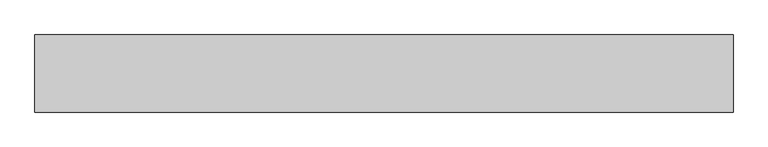
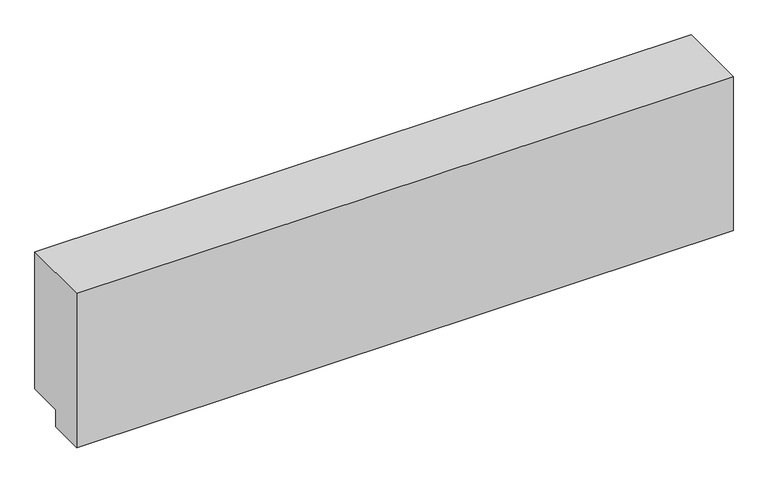
"""IFC4 building model written with IfcOpenShell, lengths in millimetres: fastener geometry."""

import ifcopenshell
import ifcopenshell.guid

model = None  # the IFC model being written
_history = None  # IfcOwnerHistory: only IFC2X3 demands one
_inside = {}  # id of a spatial element -> (the spatial element, [elements in it])
_under = {}  # id of a project, library or spatial element -> (it, [spatial elements below it])
_declared = {}  # id of a project -> (the project, [libraries it declares])
_typed = {}  # id of a type object -> (the type object, [elements of that type])
_made_of = {}  # id of a material, layer set ... -> (it, [elements and type objects made of it])


def new_model(schema):
    """Start an empty IFC model of exactly this schema.

    Asked for "IFC4X3", IfcOpenShell would pick the latest addendum, in which some entities
    have other attributes; the version numbers below select the first issue.
    IFC2X3 requires an IfcOwnerHistory on every rooted entity: one is made here for all.
    """
    global model, _history
    if schema == "IFC4X3":
        model = ifcopenshell.file(schema_version=(4, 3, 0, 0))
    else:
        model = ifcopenshell.file(schema=schema)
    _inside.clear()
    _under.clear()
    _declared.clear()
    _typed.clear()
    _made_of.clear()
    _history = None
    if model.schema == "IFC2X3":
        org = make("IfcOrganization", Name="unknown")
        user = make(
            "IfcPersonAndOrganization",
            ThePerson=make("IfcPerson", FamilyName="unknown"),
            TheOrganization=org,
        )
        app = make(
            "IfcApplication",
            ApplicationDeveloper=org,
            Version="unknown",
            ApplicationFullName="unknown",
            ApplicationIdentifier="unknown",
        )
        _history = make(
            "IfcOwnerHistory",
            OwningUser=user,
            OwningApplication=app,
            ChangeAction="ADDED",
            CreationDate=0,
        )
    return model


def make(cls, **values):
    """One entity of the class cls with the attributes given. An attribute that is None is left unset."""
    return model.create_entity(
        cls, **{name: value for name, value in values.items() if value is not None}
    )


def rooted(cls, **values):
    """An entity with a GlobalId (a new one), such as an element, a storey or a relation."""
    return make(cls, GlobalId=ifcopenshell.guid.new(), OwnerHistory=_history, **values)


def si_unit(unit_type, name, prefix=None):
    """IfcSIUnit, for example si_unit("LENGTHUNIT", "METRE", prefix="MILLI")."""
    return make("IfcSIUnit", UnitType=unit_type, Prefix=prefix, Name=name)


def assignment(units):
    """IfcUnitAssignment: the units of a project."""
    return None if units is None else make("IfcUnitAssignment", Units=units)


def point(xyz):
    """IfcCartesianPoint."""
    return None if xyz is None else make("IfcCartesianPoint", Coordinates=xyz)


def direction(xyz):
    """IfcDirection."""
    return None if xyz is None else make("IfcDirection", DirectionRatios=xyz)


def frame(location, z_axis=None, x_axis=None):
    """IfcAxis2Placement3D, a coordinate frame: its origin and axes. An axis left out is left unset."""
    return make(
        "IfcAxis2Placement3D",
        Location=point(location),
        Axis=direction(z_axis),
        RefDirection=direction(x_axis),
    )


def origin():
    """The frame at (0, 0, 0) with its axes left unset."""
    return frame((0.0, 0.0, 0.0))


def place(relative_to, where):
    """IfcLocalPlacement: puts the frame where relative to a parent placement (None: the world)."""
    return make(
        "IfcLocalPlacement", PlacementRelTo=relative_to, RelativePlacement=where
    )


def context(
    kind, dimensions, precision=None, world=None, true_north=None, identifier=None
):
    """IfcGeometricRepresentationContext, for example the 3D "Model" context."""
    return make(
        "IfcGeometricRepresentationContext",
        ContextIdentifier=identifier,
        ContextType=kind,
        CoordinateSpaceDimension=dimensions,
        Precision=precision,
        WorldCoordinateSystem=world,
        TrueNorth=true_north,
    )


def project(units=None, contexts=None):
    """IfcProject with its units and contexts."""
    return rooted(
        "IfcProject",
        Name="project",
        RepresentationContexts=contexts,
        UnitsInContext=assignment(units),
    )


def spatial(cls, under=None, at=None, **own):
    """A site, building, storey or space (cls), placed at a placement, below another one or the project."""
    s = rooted(cls, ObjectPlacement=at, **own)
    if under is not None:
        _under.setdefault(under.id(), (under, []))[1].append(s)
    return s


def polyline(points):
    """IfcPolyline through the points."""
    return make("IfcPolyline", Points=[point(p) for p in points])


def outline(outer, holes=None, kind="AREA"):
    """IfcArbitraryClosedProfileDef: a profile drawn as a closed curve; with holes, ...WithVoids."""
    if holes is None:
        return make("IfcArbitraryClosedProfileDef", ProfileType=kind, OuterCurve=outer)
    return make(
        "IfcArbitraryProfileDefWithVoids",
        ProfileType=kind,
        OuterCurve=outer,
        InnerCurves=holes,
    )


def extrude(swept, where, along, depth):
    """IfcExtrudedAreaSolid: the profile swept, set in the frame where, extruded along a direction by depth."""
    return make(
        "IfcExtrudedAreaSolid",
        SweptArea=swept,
        Position=where,
        ExtrudedDirection=direction(along),
        Depth=depth,
    )


def shape(context_of_items, identifier, shape_type, items):
    """IfcShapeRepresentation: the items that make up one representation, for example the "Body"."""
    return make(
        "IfcShapeRepresentation",
        ContextOfItems=context_of_items,
        RepresentationIdentifier=identifier,
        RepresentationType=shape_type,
        Items=items,
    )


def source(mapping_origin, context_of_items, identifier, shape_type, items):
    """IfcRepresentationMap: a shape defined once, which mapped items show again and again."""
    return make(
        "IfcRepresentationMap",
        MappingOrigin=mapping_origin,
        MappedRepresentation=shape(context_of_items, identifier, shape_type, items),
    )


def transform(
    local_origin,
    x_axis=None,
    y_axis=None,
    z_axis=None,
    scale=None,
    scale2=None,
    scale3=None,
    uniform=True,
):
    """IfcCartesianTransformationOperator3D, or its non-uniform kind. x_axis, y_axis, z_axis: its Axis1, 2, 3."""
    if uniform:
        return make(
            "IfcCartesianTransformationOperator3D",
            Axis1=direction(x_axis),
            Axis2=direction(y_axis),
            LocalOrigin=point(local_origin),
            Scale=scale,
            Axis3=direction(z_axis),
        )
    return make(
        "IfcCartesianTransformationOperator3DnonUniform",
        Axis1=direction(x_axis),
        Axis2=direction(y_axis),
        LocalOrigin=point(local_origin),
        Scale=scale,
        Axis3=direction(z_axis),
        Scale2=scale2,
        Scale3=scale3,
    )


def mapped(mapping_source, mapping_target):
    """IfcMappedItem: shows the shape of a source again, moved by a transform."""
    return make(
        "IfcMappedItem", MappingSource=mapping_source, MappingTarget=mapping_target
    )


def made_of(thing, what):
    """Note that an element or type object is made of a material, layer set ...; save() writes the relation."""
    if what is not None:
        _made_of.setdefault(what.id(), (what, []))[1].append(thing)
    return thing


def element(
    cls,
    number,
    at=None,
    inside=None,
    cuts=None,
    type_object=None,
    material=None,
    context=None,
    identifier="Body",
    shape_type=None,
    held_by="IfcProductDefinitionShape",
    body=None,
    shapes=None,
    **own,
):
    """One element of the class cls, such as IfcWall. Its Tag is "e" and its number.

    at: its placement. inside: the storey or other place that contains it. cuts: it is an
    opening in that element (IfcRelVoidsElement). A single representation is given by context,
    identifier, shape_type and body (its items); several are given by shapes. held_by: the class
    of the entity that holds the representations. save() writes the other relations.
    """
    e = rooted(cls, Tag="e%d" % number, ObjectPlacement=at, **own)
    if body is not None:
        shapes = [shape(context, identifier, shape_type, body)]
    if shapes is not None:
        e.Representation = make(held_by, Representations=shapes)
    if inside is not None:
        _inside.setdefault(inside.id(), (inside, []))[1].append(e)
    if cuts is not None:
        rooted(
            "IfcRelVoidsElement", RelatingBuildingElement=cuts, RelatedOpeningElement=e
        )
    if type_object is not None:
        _typed.setdefault(type_object.id(), (type_object, []))[1].append(e)
    return made_of(e, material)


def aggregate(whole, parts):
    """IfcRelAggregates: a whole, such as a stair, and the parts it consists of."""
    return rooted("IfcRelAggregates", RelatingObject=whole, RelatedObjects=parts)


def save(model, path):
    """Write the relations noted so far, then the file.

    IfcRelAggregates (storeys below a building ...), IfcRelContainedInSpatialStructure (elements
    in a storey), IfcRelDefinesByType, IfcRelAssociatesMaterial and IfcRelDeclares: one each for
    every whole, place, type object, material and project.
    """
    for whole, parts in _under.values():
        aggregate(whole, parts)
    for where, things in _inside.values():
        rooted(
            "IfcRelContainedInSpatialStructure",
            RelatedElements=things,
            RelatingStructure=where,
        )
    for kind, things in _typed.values():
        rooted("IfcRelDefinesByType", RelatedObjects=things, RelatingType=kind)
    for what, things in _made_of.values():
        rooted("IfcRelAssociatesMaterial", RelatedObjects=things, RelatingMaterial=what)
    for by, libraries in _declared.values():
        rooted("IfcRelDeclares", RelatingContext=by, RelatedDefinitions=libraries)
    model.write(path)


def fastener_17a7f3e0(model_context):
    return source(origin(), model_context, "Body", "SweptSolid", [
        extrude(outline(polyline([(9651.187898, 10150.0), (9651.187898, 10100.0), (9551.187898, 10100.0), (9551.187898, 10550.0), (9751.187898, 10550.0), (9751.187898, 10150.0), (9651.187898, 10150.0)])), frame((-9467.9369049, 0.0, 0.0), z_axis=(1.0, 0.0, 0.0), x_axis=(0.0, 1.0, 0.0)), (0.0, 0.0, 1.0), 1810.0),
    ])


if __name__ == "__main__":
    model = new_model("IFC4")
    model_context = context("Model", 3, world=origin())
    ifc_project = project(units=[si_unit("LENGTHUNIT", "METRE", prefix="MILLI")], contexts=[model_context])
    site = spatial("IfcSite", under=ifc_project)
    building = spatial("IfcBuilding", under=site)
    placement = place(None, origin())
    fastener_shape = fastener_17a7f3e0(model_context)
    element("IfcFastener", 1, at=placement, inside=building, context=model_context, shape_type="MappedRepresentation", body=[
        mapped(fastener_shape, transform((0.0, 0.0, 0.0), x_axis=(1.0, 0.0, 0.0), y_axis=(0.0, 1.0, 0.0), z_axis=(0.0, 0.0, 1.0))),
    ])
    save(model, "model.ifc")
